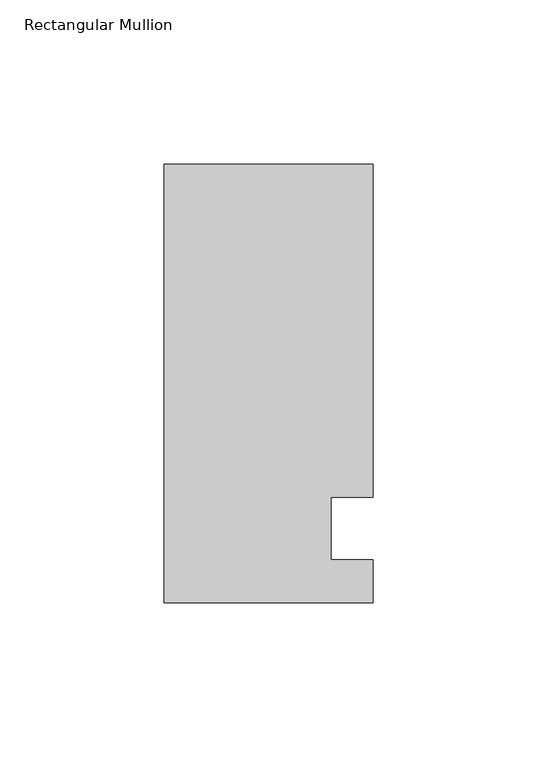
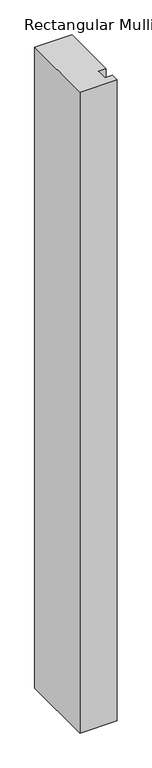
"""IFC4 building model written with IfcOpenShell, lengths in millimetres: member geometry, Rectangular Mullion."""

from ifc_helpers import new_model, si_unit, frame, origin, place, context, project, spatial, polyline, outline, extrude, source, transform, mapped, element, save


def rectangular_mullion_a71b0c94(model_context):
    return source(origin(), model_context, "Body", "SweptSolid", [
        extrude(outline(polyline([(-31.75, 0.0134937), (-31.75, 133.4396937), (31.75, 133.4396937), (31.75, 32.2460937), (19.05, 32.2460938), (19.05, 13.1960937), (31.75, 13.1960937), (31.75, 0.0134937), (-31.75, 0.0134937)])), frame((0.0, 0.0, -1155.7), z_axis=(0.0, 0.0, 1.0), x_axis=(1.0, 0.0, 0.0)), (0.0, 0.0, 1.0), 1155.7),
    ])


if __name__ == "__main__":
    model = new_model("IFC4")
    model_context = context("Model", 3, world=origin())
    ifc_project = project(units=[si_unit("LENGTHUNIT", "METRE", prefix="MILLI")], contexts=[model_context])
    site = spatial("IfcSite", under=ifc_project)
    building = spatial("IfcBuilding", under=site)
    placement = place(None, origin())
    rectangular_mullion_shape = rectangular_mullion_a71b0c94(model_context)
    element("IfcMember", 1, ObjectType="Rectangular Mullion", at=placement, inside=building, context=model_context, shape_type="MappedRepresentation", body=[
        mapped(rectangular_mullion_shape, transform((0.0, 0.0, 0.0), x_axis=(1.0, 0.0, 0.0), y_axis=(0.0, 1.0, 0.0), z_axis=(0.0, 0.0, 1.0))),
    ])
    save(model, "model.ifc")
